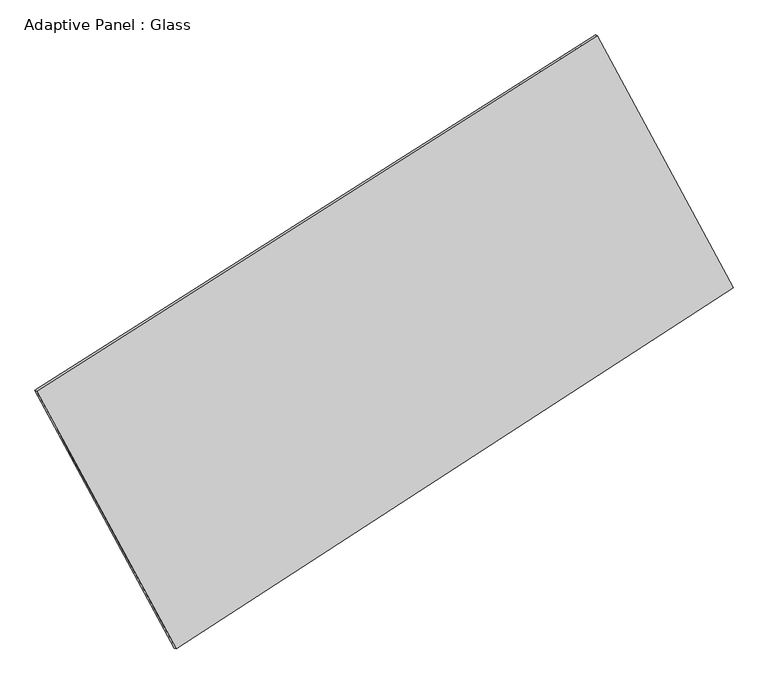
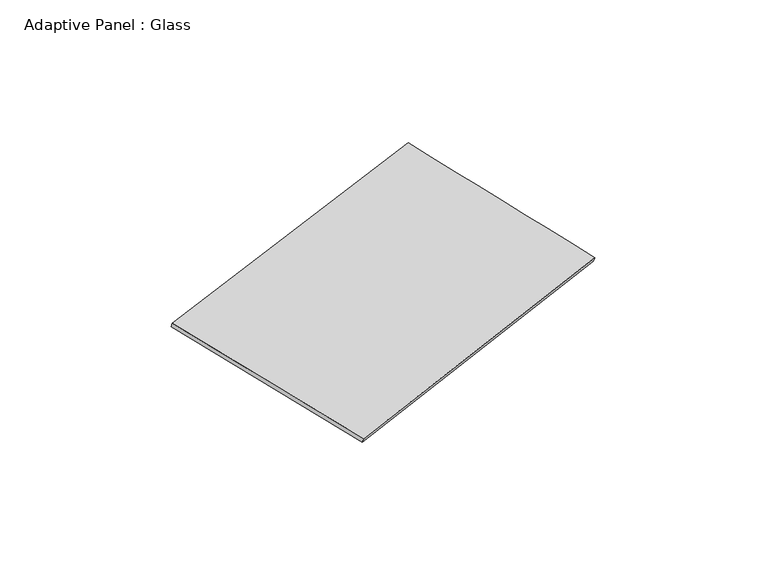
"""IFC4 building model written with IfcOpenShell, lengths in millimetres: plate geometry, Adaptive Panel : Glass."""

from ifc_helpers import new_model, si_unit, frame, origin, place, context, project, spatial, source, transform, mapped, element, save
from ifc_brep_helpers import plane_surface, spline_surface, advanced_brep


def adaptive_panel_glass_c6addf74(model_context):
    return source(origin(), model_context, "Body", "AdvancedBrep", [
        advanced_brep(
        [(1191.8567625, 2559.5645336, 666.8284333), (-3693.5059921, -537.5744684, 1746.6717853), (-3678.8396362, -543.9545619, 1794.0446933), (1206.5231183, 2553.1844402, 714.2013414), (-2477.5516781, -2784.0058814, 1083.0361468), (-2462.8853222, -2790.3859749, 1130.4090548), (2375.9103295, 361.7672434, -11.4138452), (2390.5766854, 355.3871499, 35.9590628)],
        [
            (0, 1),
            (1, 2),
            (2, 3),
            (3, 0),
            (1, 4),
            (4, 5),
            (5, 2),
            (4, 6),
            (6, 7),
            (7, 5),
            (6, 0),
            (3, 7),
        ],
        [
            plane_surface(frame((-1250.8246148, 1010.9950326, 1206.7501093), z_axis=(-0.4752687150055815, 0.8404451524491637, 0.26032977982099026), x_axis=(-0.8302354881379485, -0.5263385423783267, 0.18351232395509803))),
            plane_surface(frame((-3085.5288351, -1660.7901749, 1414.853966), z_axis=(-0.8385529992985693, -0.5102854267352391, 0.19088648623988275), x_axis=(0.4607272253910893, -0.8511768082225922, -0.2514527091272413))),
            plane_surface(frame((-50.8206743, -1211.119319, 535.8111508), z_axis=(0.4826106619725351, -0.8357387266131611, -0.2619689481397445), x_axis=(0.8245201066032539, 0.5344130000689034, -0.18592831727392528))),
            plane_surface(frame((1783.883546, 1460.6658885, 327.7072941), z_axis=(0.8384012057902086, 0.5105665024054213, -0.19080163718118243), x_axis=(-0.4577025989156394, 0.8495709650589237, 0.2621783863607347))),
            spline_surface(1, 1, [[(-3678.8396362, -543.9545619, 1794.0446933), (1206.5231183, 2553.1844402, 714.2013414)], [(-2462.8853222, -2790.3859749, 1130.4090548), (2390.5766854, 355.3871499, 35.9590628)]], [2, 2], [2, 2], [0.0, 1.0], [0.0, 1.0]),
            spline_surface(1, 1, [[(2375.9103295, 361.7672434, -11.4138452), (1191.8567625, 2559.5645336, 666.8284333)], [(-2477.5516781, -2784.0058814, 1083.0361468), (-3693.5059921, -537.5744684, 1746.6717853)]], [2, 2], [2, 2], [0.0, 1.0], [0.0, 1.0]),
        ],
        [
            (0, [[1, 2, 3, 4]]),
            (1, [[5, 6, 7, -2]]),
            (2, [[8, 9, 10, -6]]),
            (3, [[11, -4, 12, -9]]),
            (4, [[-3, -7, -10, -12]]),
            (5, [[-11, -8, -5, -1]]),
        ],
    ),
    ])


if __name__ == "__main__":
    model = new_model("IFC4")
    model_context = context("Model", 3, world=origin())
    ifc_project = project(units=[si_unit("LENGTHUNIT", "METRE", prefix="MILLI")], contexts=[model_context])
    site = spatial("IfcSite", under=ifc_project)
    building = spatial("IfcBuilding", under=site)
    placement = place(None, origin())
    adaptive_panel_glass_shape = adaptive_panel_glass_c6addf74(model_context)
    element("IfcPlate", 1, ObjectType="Adaptive Panel : Glass", at=placement, inside=building, context=model_context, shape_type="MappedRepresentation", body=[
        mapped(adaptive_panel_glass_shape, transform((0.0, 0.0, 0.0), x_axis=(1.0, 0.0, 0.0), y_axis=(0.0, 1.0, 0.0), z_axis=(0.0, 0.0, 1.0))),
    ])
    save(model, "model.ifc")
